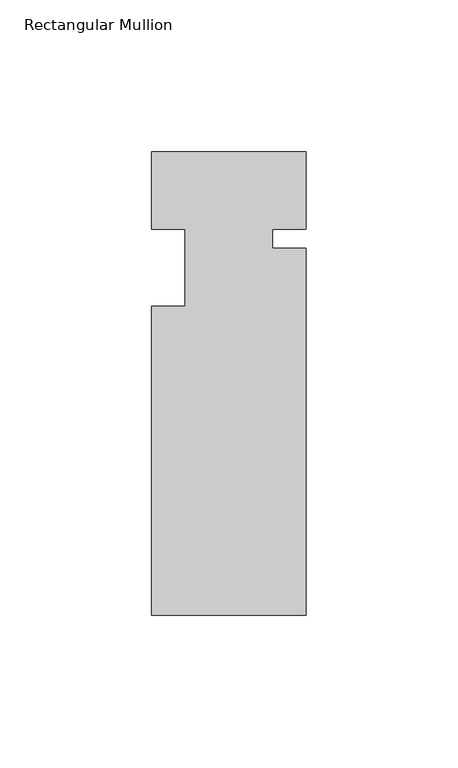
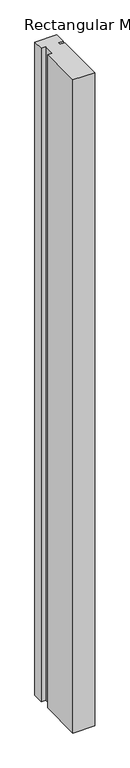
"""IFC4 building model written with IfcOpenShell, lengths in millimetres: member geometry, Rectangular Mullion."""

from ifc_helpers import new_model, si_unit, frame, origin, place, context, project, spatial, polyline, outline, extrude, source, transform, mapped, element, save


def rectangular_mullion_cdc4b2bb(model_context):
    return source(origin(), model_context, "Body", "SweptSolid", [
        extrude(outline(polyline([(25.4, -25.4), (14.3002, -25.4), (14.3002, -31.75), (25.4, -31.75), (25.4, -152.4), (-25.4, -152.4), (-25.4, -50.8), (-14.398625, -50.8), (-14.398625, -25.4), (-25.4, -25.4), (-25.4, 0.0), (25.4, 0.0), (25.4, -25.4)])), frame((0.0, 0.0, -1600.200584), z_axis=(0.0, 0.0, 1.0), x_axis=(1.0, 0.0, 0.0)), (0.0, 0.0, 1.0), 1600.200584),
    ])


if __name__ == "__main__":
    model = new_model("IFC4")
    model_context = context("Model", 3, world=origin())
    ifc_project = project(units=[si_unit("LENGTHUNIT", "METRE", prefix="MILLI")], contexts=[model_context])
    site = spatial("IfcSite", under=ifc_project)
    building = spatial("IfcBuilding", under=site)
    placement = place(None, origin())
    rectangular_mullion_shape = rectangular_mullion_cdc4b2bb(model_context)
    element("IfcMember", 1, ObjectType="Rectangular Mullion", at=placement, inside=building, context=model_context, shape_type="MappedRepresentation", body=[
        mapped(rectangular_mullion_shape, transform((0.0, 0.0, 0.0), x_axis=(1.0, 0.0, 0.0), y_axis=(0.0, 1.0, 0.0), z_axis=(0.0, 0.0, 1.0))),
    ])
    save(model, "model.ifc")
